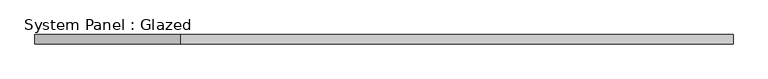
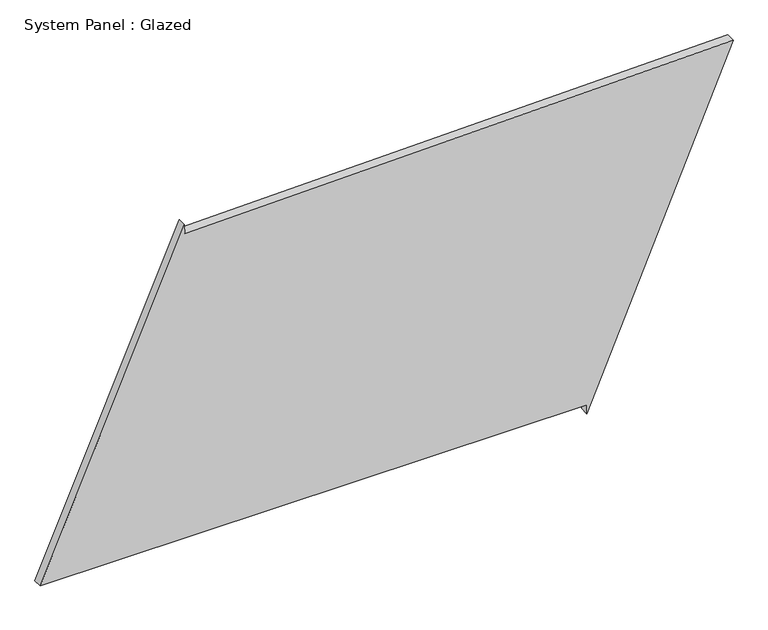
"""IFC4 building model written with IfcOpenShell, lengths in millimetres: plate geometry, System Panel : Glazed."""

import ifcopenshell
import ifcopenshell.guid

model = None  # the IFC model being written
_history = None  # IfcOwnerHistory: only IFC2X3 demands one
_inside = {}  # id of a spatial element -> (the spatial element, [elements in it])
_under = {}  # id of a project, library or spatial element -> (it, [spatial elements below it])
_declared = {}  # id of a project -> (the project, [libraries it declares])
_typed = {}  # id of a type object -> (the type object, [elements of that type])
_made_of = {}  # id of a material, layer set ... -> (it, [elements and type objects made of it])


def new_model(schema):
    """Start an empty IFC model of exactly this schema.

    Asked for "IFC4X3", IfcOpenShell would pick the latest addendum, in which some entities
    have other attributes; the version numbers below select the first issue.
    IFC2X3 requires an IfcOwnerHistory on every rooted entity: one is made here for all.
    """
    global model, _history
    if schema == "IFC4X3":
        model = ifcopenshell.file(schema_version=(4, 3, 0, 0))
    else:
        model = ifcopenshell.file(schema=schema)
    _inside.clear()
    _under.clear()
    _declared.clear()
    _typed.clear()
    _made_of.clear()
    _history = None
    if model.schema == "IFC2X3":
        org = make("IfcOrganization", Name="unknown")
        user = make(
            "IfcPersonAndOrganization",
            ThePerson=make("IfcPerson", FamilyName="unknown"),
            TheOrganization=org,
        )
        app = make(
            "IfcApplication",
            ApplicationDeveloper=org,
            Version="unknown",
            ApplicationFullName="unknown",
            ApplicationIdentifier="unknown",
        )
        _history = make(
            "IfcOwnerHistory",
            OwningUser=user,
            OwningApplication=app,
            ChangeAction="ADDED",
            CreationDate=0,
        )
    return model


def make(cls, **values):
    """One entity of the class cls with the attributes given. An attribute that is None is left unset."""
    return model.create_entity(
        cls, **{name: value for name, value in values.items() if value is not None}
    )


def rooted(cls, **values):
    """An entity with a GlobalId (a new one), such as an element, a storey or a relation."""
    return make(cls, GlobalId=ifcopenshell.guid.new(), OwnerHistory=_history, **values)


def si_unit(unit_type, name, prefix=None):
    """IfcSIUnit, for example si_unit("LENGTHUNIT", "METRE", prefix="MILLI")."""
    return make("IfcSIUnit", UnitType=unit_type, Prefix=prefix, Name=name)


def assignment(units):
    """IfcUnitAssignment: the units of a project."""
    return None if units is None else make("IfcUnitAssignment", Units=units)


def point(xyz):
    """IfcCartesianPoint."""
    return None if xyz is None else make("IfcCartesianPoint", Coordinates=xyz)


def direction(xyz):
    """IfcDirection."""
    return None if xyz is None else make("IfcDirection", DirectionRatios=xyz)


def frame(location, z_axis=None, x_axis=None):
    """IfcAxis2Placement3D, a coordinate frame: its origin and axes. An axis left out is left unset."""
    return make(
        "IfcAxis2Placement3D",
        Location=point(location),
        Axis=direction(z_axis),
        RefDirection=direction(x_axis),
    )


def origin():
    """The frame at (0, 0, 0) with its axes left unset."""
    return frame((0.0, 0.0, 0.0))


def place(relative_to, where):
    """IfcLocalPlacement: puts the frame where relative to a parent placement (None: the world)."""
    return make(
        "IfcLocalPlacement", PlacementRelTo=relative_to, RelativePlacement=where
    )


def context(
    kind, dimensions, precision=None, world=None, true_north=None, identifier=None
):
    """IfcGeometricRepresentationContext, for example the 3D "Model" context."""
    return make(
        "IfcGeometricRepresentationContext",
        ContextIdentifier=identifier,
        ContextType=kind,
        CoordinateSpaceDimension=dimensions,
        Precision=precision,
        WorldCoordinateSystem=world,
        TrueNorth=true_north,
    )


def project(units=None, contexts=None):
    """IfcProject with its units and contexts."""
    return rooted(
        "IfcProject",
        Name="project",
        RepresentationContexts=contexts,
        UnitsInContext=assignment(units),
    )


def spatial(cls, under=None, at=None, **own):
    """A site, building, storey or space (cls), placed at a placement, below another one or the project."""
    s = rooted(cls, ObjectPlacement=at, **own)
    if under is not None:
        _under.setdefault(under.id(), (under, []))[1].append(s)
    return s


def polyline(points):
    """IfcPolyline through the points."""
    return make("IfcPolyline", Points=[point(p) for p in points])


def outline(outer, holes=None, kind="AREA"):
    """IfcArbitraryClosedProfileDef: a profile drawn as a closed curve; with holes, ...WithVoids."""
    if holes is None:
        return make("IfcArbitraryClosedProfileDef", ProfileType=kind, OuterCurve=outer)
    return make(
        "IfcArbitraryProfileDefWithVoids",
        ProfileType=kind,
        OuterCurve=outer,
        InnerCurves=holes,
    )


def extrude(swept, where, along, depth):
    """IfcExtrudedAreaSolid: the profile swept, set in the frame where, extruded along a direction by depth."""
    return make(
        "IfcExtrudedAreaSolid",
        SweptArea=swept,
        Position=where,
        ExtrudedDirection=direction(along),
        Depth=depth,
    )


def shape(context_of_items, identifier, shape_type, items):
    """IfcShapeRepresentation: the items that make up one representation, for example the "Body"."""
    return make(
        "IfcShapeRepresentation",
        ContextOfItems=context_of_items,
        RepresentationIdentifier=identifier,
        RepresentationType=shape_type,
        Items=items,
    )


def source(mapping_origin, context_of_items, identifier, shape_type, items):
    """IfcRepresentationMap: a shape defined once, which mapped items show again and again."""
    return make(
        "IfcRepresentationMap",
        MappingOrigin=mapping_origin,
        MappedRepresentation=shape(context_of_items, identifier, shape_type, items),
    )


def transform(
    local_origin,
    x_axis=None,
    y_axis=None,
    z_axis=None,
    scale=None,
    scale2=None,
    scale3=None,
    uniform=True,
):
    """IfcCartesianTransformationOperator3D, or its non-uniform kind. x_axis, y_axis, z_axis: its Axis1, 2, 3."""
    if uniform:
        return make(
            "IfcCartesianTransformationOperator3D",
            Axis1=direction(x_axis),
            Axis2=direction(y_axis),
            LocalOrigin=point(local_origin),
            Scale=scale,
            Axis3=direction(z_axis),
        )
    return make(
        "IfcCartesianTransformationOperator3DnonUniform",
        Axis1=direction(x_axis),
        Axis2=direction(y_axis),
        LocalOrigin=point(local_origin),
        Scale=scale,
        Axis3=direction(z_axis),
        Scale2=scale2,
        Scale3=scale3,
    )


def mapped(mapping_source, mapping_target):
    """IfcMappedItem: shows the shape of a source again, moved by a transform."""
    return make(
        "IfcMappedItem", MappingSource=mapping_source, MappingTarget=mapping_target
    )


def made_of(thing, what):
    """Note that an element or type object is made of a material, layer set ...; save() writes the relation."""
    if what is not None:
        _made_of.setdefault(what.id(), (what, []))[1].append(thing)
    return thing


def element(
    cls,
    number,
    at=None,
    inside=None,
    cuts=None,
    type_object=None,
    material=None,
    context=None,
    identifier="Body",
    shape_type=None,
    held_by="IfcProductDefinitionShape",
    body=None,
    shapes=None,
    **own,
):
    """One element of the class cls, such as IfcWall. Its Tag is "e" and its number.

    at: its placement. inside: the storey or other place that contains it. cuts: it is an
    opening in that element (IfcRelVoidsElement). A single representation is given by context,
    identifier, shape_type and body (its items); several are given by shapes. held_by: the class
    of the entity that holds the representations. save() writes the other relations.
    """
    e = rooted(cls, Tag="e%d" % number, ObjectPlacement=at, **own)
    if body is not None:
        shapes = [shape(context, identifier, shape_type, body)]
    if shapes is not None:
        e.Representation = make(held_by, Representations=shapes)
    if inside is not None:
        _inside.setdefault(inside.id(), (inside, []))[1].append(e)
    if cuts is not None:
        rooted(
            "IfcRelVoidsElement", RelatingBuildingElement=cuts, RelatedOpeningElement=e
        )
    if type_object is not None:
        _typed.setdefault(type_object.id(), (type_object, []))[1].append(e)
    return made_of(e, material)


def aggregate(whole, parts):
    """IfcRelAggregates: a whole, such as a stair, and the parts it consists of."""
    return rooted("IfcRelAggregates", RelatingObject=whole, RelatedObjects=parts)


def save(model, path):
    """Write the relations noted so far, then the file.

    IfcRelAggregates (storeys below a building ...), IfcRelContainedInSpatialStructure (elements
    in a storey), IfcRelDefinesByType, IfcRelAssociatesMaterial and IfcRelDeclares: one each for
    every whole, place, type object, material and project.
    """
    for whole, parts in _under.values():
        aggregate(whole, parts)
    for where, things in _inside.values():
        rooted(
            "IfcRelContainedInSpatialStructure",
            RelatedElements=things,
            RelatingStructure=where,
        )
    for kind, things in _typed.values():
        rooted("IfcRelDefinesByType", RelatedObjects=things, RelatingType=kind)
    for what, things in _made_of.values():
        rooted("IfcRelAssociatesMaterial", RelatedObjects=things, RelatingMaterial=what)
    for by, libraries in _declared.values():
        rooted("IfcRelDeclares", RelatingContext=by, RelatedDefinitions=libraries)
    model.write(path)


def system_panel_glazed_6d6ef5ef(model_context):
    return source(origin(), model_context, "Body", "SweptSolid", [
        extrude(outline(polyline([(25.0, 544.3810717), (0.0, 544.3810717), (935.7396622, 941.8546634), (901.9128391, -549.3574692), (926.9064095, -549.9244262), (25.0, -941.8546634), (25.0, 544.3810717)])), frame((0.0, -49.5, 0.0), z_axis=(0.0, 1.0, 0.0), x_axis=(0.0, 0.0, 1.0)), (0.0, 0.0, 1.0), 25.0),
    ])


if __name__ == "__main__":
    model = new_model("IFC4")
    model_context = context("Model", 3, world=origin())
    ifc_project = project(units=[si_unit("LENGTHUNIT", "METRE", prefix="MILLI")], contexts=[model_context])
    site = spatial("IfcSite", under=ifc_project)
    building = spatial("IfcBuilding", under=site)
    placement = place(None, origin())
    system_panel_glazed_shape = system_panel_glazed_6d6ef5ef(model_context)
    element("IfcPlate", 1, ObjectType="System Panel : Glazed", at=placement, inside=building, context=model_context, shape_type="MappedRepresentation", body=[
        mapped(system_panel_glazed_shape, transform((0.0, 0.0, 0.0), x_axis=(1.0, 0.0, 0.0), y_axis=(0.0, 1.0, 0.0), z_axis=(0.0, 0.0, 1.0))),
    ])
    save(model, "model.ifc")
